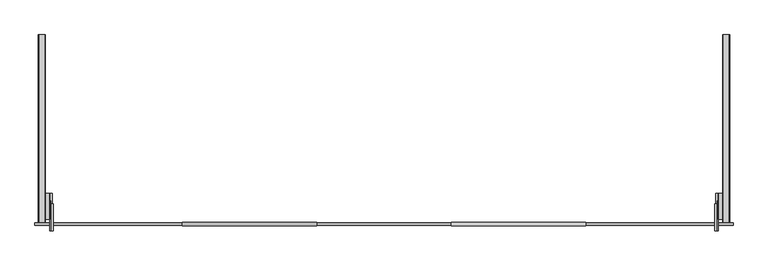
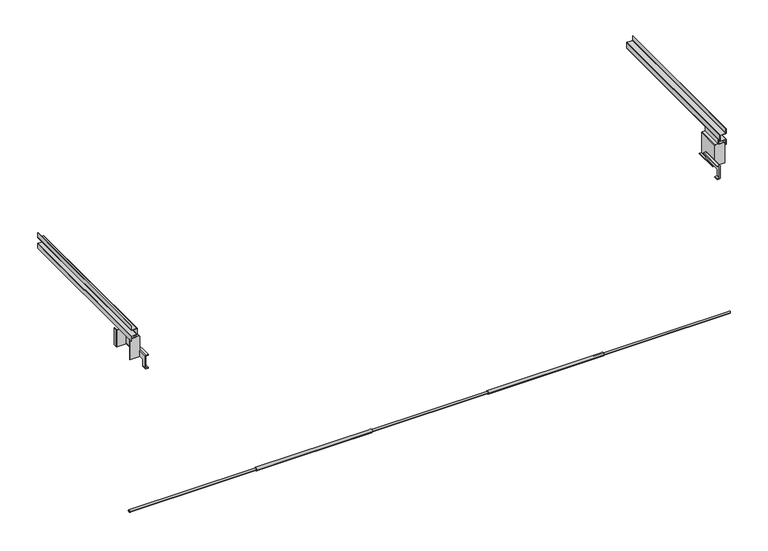
"""IFC4 building model written with IfcOpenShell, lengths in millimetres: proxy geometry."""

from ifc_helpers import new_model, si_unit, point, frame, frame_2d, origin, place, context, project, spatial, polyline, circle_curve, ellipse_curve, trimmed, segment, composite_curve, outline, extrude, source, transform, mapped, element, save
from ifc_brep_helpers import plane_surface, cylinder_surface, revolved_surface, advanced_brep


def parking_78c38aff(model_context):
    return source(origin(), model_context, "Body", "SolidModel", [
        advanced_brep(
        [(1110.5, -339.5632933, 763.5607814), (1110.5, -339.5632933, 811.0103561), (1106.5, -339.5632933, 815.0103561), (1098.5, -339.5632933, 815.0103561), (1098.5, -339.5632933, 811.5599571), (1106.5, -339.5632933, 811.5599571), (1107.5, -339.5632933, 810.5599571), (1107.5, -339.5632933, 763.5607338), (1106.5, -339.5632933, 762.5607338), (1098.5, -339.5632933, 762.5607338), (1098.5, -339.5632933, 759.5607814), (1106.5, -339.5632933, 759.5607814), (1106.5, -324.5, 759.5607814), (1110.5, -324.5, 763.5607814), (1098.5, -324.5, 759.5607814), (1098.5, -324.5, 762.5607338), (1106.5, -324.5, 762.5607338), (1107.5, -324.5, 763.5607338), (1107.5, -247.0099571, 810.5599571), (1107.5, -240.3786797, 803.9286797), (1107.5, -239.5, 801.8073593), (1107.5, -239.5, 799.3138804), (1107.5, -240.3786797, 797.19256), (1107.5, -246.6493904, 790.9218493), (1107.5, -248.7707107, 790.0431697), (1107.5, -324.5, 790.0431697), (1106.5, -249.5, 811.5599571), (1107.3716983, -249.5, 811.05), (1107.3716983, -247.5, 811.05), (1098.5, -249.5, 811.5599571), (1098.5, -249.5, 815.0103561), (1106.5, -249.5, 815.0103561), (1110.5, -249.5, 811.0103561), (1110.5, -324.5, 790.0431697), (1110.5, -248.7707107, 790.0431697), (1110.5, -246.6493904, 790.9218493), (1110.5, -240.3786797, 797.19256), (1110.5, -239.5, 799.3138804), (1110.5, -239.5, 801.8073593), (1110.5, -240.3786797, 803.9286797), (1110.5, -247.4603561, 811.0103561)],
        [
            (0, 1),
            (1, 2, circle_curve(frame((1106.5, -339.5632933, 811.0103561), z_axis=(0.0, -1.0, 0.0), x_axis=(-1.0, 0.0, 0.0)), 4.0)),
            (2, 3),
            (3, 4),
            (4, 5),
            (5, 6, circle_curve(frame((1106.5, -339.5632933, 810.5599571), z_axis=(0.0, 1.0, 0.0), x_axis=(-1.0, 0.0, 0.0)), 1.0)),
            (6, 7),
            (7, 8, circle_curve(frame((1106.5, -339.5632933, 763.5607338), z_axis=(0.0, 1.0, 0.0), x_axis=(-1.0, 0.0, 0.0)), 1.0)),
            (8, 9),
            (9, 10),
            (10, 11),
            (11, 0, circle_curve(frame((1106.5, -339.5632933, 763.5607814), z_axis=(0.0, -1.0, 0.0), x_axis=(-1.0, 0.0, 0.0)), 4.0)),
            (11, 12),
            (12, 13, circle_curve(frame((1106.5, -324.5, 763.5607814), z_axis=(0.0, -1.0, 0.0), x_axis=(-1.0, 0.0, 0.0)), 4.0)),
            (13, 0),
            (10, 14),
            (14, 12),
            (9, 15),
            (15, 14),
            (8, 16),
            (16, 15),
            (7, 17),
            (17, 16, circle_curve(frame((1106.5, -324.5, 763.5607338), z_axis=(0.0, 1.0, 0.0), x_axis=(-1.0, 0.0, 0.0)), 1.0)),
            (6, 18),
            (18, 19),
            (19, 20, circle_curve(frame((1107.5, -242.5, 801.8073593), z_axis=(-1.0, 0.0, 0.0), x_axis=(0.0, -1.0, 0.0)), 3.0)),
            (20, 21),
            (21, 22, circle_curve(frame((1107.5, -242.5, 799.3138804), z_axis=(-1.0, 0.0, 0.0), x_axis=(0.0, -1.0, 0.0)), 3.0)),
            (22, 23),
            (23, 24, circle_curve(frame((1107.5, -248.7707107, 793.0431697), z_axis=(-1.0, 0.0, 0.0), x_axis=(0.0, -1.0, 0.0)), 3.0)),
            (24, 25),
            (25, 17),
            (5, 26),
            (26, 27, circle_curve(frame((1106.5, -249.5, 810.5599571), z_axis=(0.0, 1.0, 0.0), x_axis=(-1.0, 0.0, 0.0)), 1.0)),
            (27, 28),
            (28, 18, ellipse_curve(frame((1106.5, -247.0099571, 810.5599571), z_axis=(0.0, 0.7071067811865459, 0.7071067811865492), x_axis=(0.0, 0.707106781186549, -0.707106781186546)), 1.4142136, 1.0)),
            (4, 29),
            (29, 26),
            (3, 30),
            (30, 29),
            (2, 31),
            (31, 30),
            (1, 32),
            (32, 31, circle_curve(frame((1106.5, -249.5, 811.0103561), z_axis=(0.0, -1.0, 0.0), x_axis=(-1.0, 0.0, 0.0)), 4.0)),
            (13, 33),
            (33, 34),
            (34, 35, circle_curve(frame((1110.5, -248.7707107, 793.0431697), z_axis=(1.0, 0.0, 0.0), x_axis=(0.0, -1.0, 0.0)), 3.0)),
            (35, 36),
            (36, 37, circle_curve(frame((1110.5, -242.5, 799.3138804), z_axis=(1.0, 0.0, 0.0), x_axis=(0.0, -1.0, 0.0)), 3.0)),
            (37, 38),
            (38, 39, circle_curve(frame((1110.5, -242.5, 801.8073593), z_axis=(1.0, 0.0, 0.0), x_axis=(0.0, -1.0, 0.0)), 3.0)),
            (39, 40),
            (40, 32),
            (33, 25),
            (24, 34),
            (32, 27),
            (40, 28),
            (39, 19),
            (38, 20),
            (37, 21),
            (36, 22),
            (35, 23),
        ],
        [
            plane_surface(frame((1110.5, -339.5632933, 810.53182), z_axis=(0.0, -1.0, 0.0), x_axis=(0.0, 0.0, 1.0))),
            cylinder_surface(frame((1106.5, -233.2447809, 763.5607814), z_axis=(0.0, -1.0, 0.0), x_axis=(-1.0, 0.0, 0.0)), 4.0),
            plane_surface(frame((1098.5, -339.5632933, 759.5607814), z_axis=(0.0, 0.0, -1.0), x_axis=(0.0, 1.0, 0.0))),
            plane_surface(frame((1098.5, -339.5632933, 762.5607338), z_axis=(-1.0, 0.0, 0.0), x_axis=(0.0, 1.0, 0.0))),
            plane_surface(frame((1106.5, -339.5632933, 762.5607338), z_axis=(0.0, 0.0, 1.0), x_axis=(0.0, 1.0, 0.0))),
            revolved_surface(polyline([(1105.5, -324.5, 763.5607338), (1105.5, -339.5632933, 763.5607338)]), (1106.5, -233.2447809, 763.5607338), (0.0, 1.0, 0.0)),
            plane_surface(frame((1107.5, -339.5632933, 810.5599571), z_axis=(-1.0, 0.0, 0.0), x_axis=(0.0, 1.0, 0.0))),
            revolved_surface(polyline([(1105.5, -246.00995707339376, 810.5599571), (1105.5, -339.5632933, 810.5599571)]), (1106.5, -233.2447809, 810.5599571), (0.0, 1.0, 0.0)),
            plane_surface(frame((1098.5, -339.5632933, 811.5599571), z_axis=(0.0, 0.0, -1.0), x_axis=(0.0, 1.0, 0.0))),
            plane_surface(frame((1098.5, -339.5632933, 815.0103561), z_axis=(-1.0, 0.0, 0.0), x_axis=(0.0, 1.0, 0.0))),
            plane_surface(frame((1106.5, -339.5632933, 815.0103561), z_axis=(0.0, 0.0, 1.0), x_axis=(0.0, 1.0, 0.0))),
            cylinder_surface(frame((1106.5, -233.2447809, 811.0103561), z_axis=(0.0, -1.0, 0.0), x_axis=(-1.0, 0.0, 0.0)), 4.0),
            plane_surface(frame((1110.5, -339.5632933, 763.5607814), z_axis=(1.0, 0.0, 0.0), x_axis=(0.0, 1.0, 0.0))),
            plane_surface(frame((1092.0440352, -324.5, 790.0431697), z_axis=(0.0, 0.0, -1.0), x_axis=(1.0, 0.0, 0.0))),
            plane_surface(frame((1092.0440352, -324.5, 751.7975306), z_axis=(0.0, 1.0, 0.0), x_axis=(1.0, 0.0, 0.0))),
            plane_surface(frame((1092.0440352, -249.5, 811.05), z_axis=(0.0, 1.0, 0.0), x_axis=(1.0, 0.0, 0.0))),
            plane_surface(frame((1092.0440352, -247.5, 811.05), z_axis=(0.0, 0.0, 1.0), x_axis=(1.0, 0.0, 0.0))),
            plane_surface(frame((1092.0440352, -240.3786797, 803.9286797), z_axis=(0.0, 0.7071067811865459, 0.7071067811865492), x_axis=(1.0, 0.0, 0.0))),
            cylinder_surface(frame((1148.0, -242.5, 801.8073593), z_axis=(1.0, 0.0, 0.0), x_axis=(0.0, -1.0, 0.0)), 3.0),
            plane_surface(frame((1092.0440352, -239.5, 799.3138804), z_axis=(0.0, 1.0, 0.0), x_axis=(1.0, 0.0, 0.0))),
            cylinder_surface(frame((1148.0, -242.5, 799.3138804), z_axis=(1.0, 0.0, 0.0), x_axis=(0.0, -1.0, 0.0)), 3.0),
            plane_surface(frame((1092.0440352, -246.6493904, 790.9218493), z_axis=(0.0, 0.7071067811865418, -0.7071067811865532), x_axis=(1.0, 0.0, 0.0))),
            cylinder_surface(frame((1148.0, -248.7707107, 793.0431697), z_axis=(1.0, 0.0, 0.0), x_axis=(0.0, -1.0, 0.0)), 3.0),
        ],
        [
            (0, [[1, 2, 3, 4, 5, 6, 7, 8, 9, 10, 11, 12]]),
            (1, [[-12, 13, 14, 15]]),
            (2, [[-11, 16, 17, -13]]),
            (3, [[-10, 18, 19, -16]]),
            (4, [[-9, 20, 21, -18]]),
            (5, [[-8, 22, 23, -20]]),
            (6, [[-7, 24, 25, 26, 27, 28, 29, 30, 31, 32, -22]]),
            (7, [[-6, 33, 34, 35, 36, -24]]),
            (8, [[-5, 37, 38, -33]]),
            (9, [[-4, 39, 40, -37]]),
            (10, [[-3, 41, 42, -39]]),
            (11, [[-2, 43, 44, -41]]),
            (12, [[-1, -15, 45, 46, 47, 48, 49, 50, 51, 52, 53, -43]]),
            (13, [[54, -31, 55, -46]]),
            (14, [[-54, -45, -14, -17, -19, -21, -23, -32]]),
            (15, [[56, -34, -38, -40, -42, -44]]),
            (16, [[-56, -53, 57, -35]]),
            (17, [[-57, -52, 58, -25, -36]]),
            (18, [[-58, -51, 59, -26]]),
            (19, [[-59, -50, 60, -27]]),
            (20, [[-60, -49, 61, -28]]),
            (21, [[-61, -48, 62, -29]]),
            (22, [[-62, -47, -55, -30]]),
        ],
    ),
        advanced_brep(
        [(-1110.5, -339.5632933, 763.5607814), (-1106.5, -339.5632933, 759.5607814), (-1098.5, -339.5632933, 759.5607814), (-1098.5, -339.5632933, 762.5607338), (-1106.5, -339.5632933, 762.5607338), (-1107.5, -339.5632933, 763.5607338), (-1107.5, -339.5632933, 810.5599571), (-1106.5, -339.5632933, 811.5599571), (-1098.5, -339.5632933, 811.5599571), (-1098.5, -339.5632933, 815.0103561), (-1106.5, -339.5632933, 815.0103561), (-1110.5, -339.5632933, 811.0103561), (-1110.5, -324.5, 763.5607814), (-1106.5, -324.5, 759.5607814), (-1098.5, -324.5, 759.5607814), (-1098.5, -324.5, 762.5607338), (-1106.5, -324.5, 762.5607338), (-1107.5, -324.5, 763.5607338), (-1107.5, -324.5, 790.0431697), (-1107.5, -248.7707107, 790.0431697), (-1107.5, -246.6493904, 790.9218493), (-1107.5, -240.3786797, 797.19256), (-1107.5, -239.5, 799.3138804), (-1107.5, -239.5, 801.8073593), (-1107.5, -240.3786797, 803.9286797), (-1107.5, -247.0099571, 810.5599571), (-1107.3716983, -247.5, 811.05), (-1107.3716983, -249.5, 811.05), (-1106.5, -249.5, 811.5599571), (-1098.5, -249.5, 811.5599571), (-1098.5, -249.5, 815.0103561), (-1106.5, -249.5, 815.0103561), (-1110.5, -249.5, 811.0103561), (-1110.5, -247.4603561, 811.05), (-1110.5, -240.3786797, 803.9286797), (-1110.5, -239.5, 801.8073593), (-1110.5, -239.5, 799.3138804), (-1110.5, -240.3786797, 797.19256), (-1110.5, -246.6493904, 790.9218493), (-1110.5, -248.7707107, 790.0431697), (-1110.5, -324.5, 790.0431697)],
        [
            (0, 1, circle_curve(frame((-1106.5, -339.5632933, 763.5607814), z_axis=(0.0, -1.0, 0.0), x_axis=(1.0, 0.0, 0.0)), 4.0)),
            (1, 2),
            (2, 3),
            (3, 4),
            (4, 5, circle_curve(frame((-1106.5, -339.5632933, 763.5607338), z_axis=(0.0, 1.0, 0.0), x_axis=(1.0, 0.0, 0.0)), 1.0)),
            (5, 6),
            (6, 7, circle_curve(frame((-1106.5, -339.5632933, 810.5599571), z_axis=(0.0, 1.0, 0.0), x_axis=(1.0, 0.0, 0.0)), 1.0)),
            (7, 8),
            (8, 9),
            (9, 10),
            (10, 11, circle_curve(frame((-1106.5, -339.5632933, 811.0103561), z_axis=(0.0, -1.0, 0.0), x_axis=(1.0, 0.0, 0.0)), 4.0)),
            (11, 0),
            (0, 12),
            (12, 13, circle_curve(frame((-1106.5, -324.5, 763.5607814), z_axis=(0.0, -1.0, 0.0), x_axis=(1.0, 0.0, 0.0)), 4.0)),
            (13, 1),
            (13, 14),
            (14, 2),
            (14, 15),
            (15, 3),
            (15, 16),
            (16, 4),
            (16, 17, circle_curve(frame((-1106.5, -324.5, 763.5607338), z_axis=(0.0, 1.0, 0.0), x_axis=(1.0, 0.0, 0.0)), 1.0)),
            (17, 5),
            (17, 18),
            (18, 19),
            (19, 20, circle_curve(frame((-1107.5, -248.7707107, 793.0431697), z_axis=(1.0, 0.0, 0.0), x_axis=(0.0, -1.0, 0.0)), 3.0)),
            (20, 21),
            (21, 22, circle_curve(frame((-1107.5, -242.5, 799.3138804), z_axis=(1.0, 0.0, 0.0), x_axis=(0.0, -1.0, 0.0)), 3.0)),
            (22, 23),
            (23, 24, circle_curve(frame((-1107.5, -242.5, 801.8073593), z_axis=(1.0, 0.0, 0.0), x_axis=(0.0, -1.0, 0.0)), 3.0)),
            (24, 25),
            (25, 6),
            (25, 26, ellipse_curve(frame((-1106.5, -247.0099571, 810.5599571), z_axis=(0.0, 0.7071067811865476, 0.7071067811865476), x_axis=(0.0, 0.7071067811865474, -0.7071067811865476)), 1.4142136, 1.0)),
            (26, 27),
            (27, 28, circle_curve(frame((-1106.5, -249.5, 810.5599571), z_axis=(0.0, 1.0, 0.0), x_axis=(1.0, 0.0, 0.0)), 1.0)),
            (28, 7),
            (28, 29),
            (29, 8),
            (29, 30),
            (30, 9),
            (30, 31),
            (31, 10),
            (31, 32, circle_curve(frame((-1106.5, -249.5, 811.0103561), z_axis=(0.0, -1.0, 0.0), x_axis=(1.0, 0.0, 0.0)), 4.0)),
            (32, 11),
            (32, 33),
            (33, 34),
            (34, 35, circle_curve(frame((-1110.5, -242.5, 801.8073593), z_axis=(-1.0, 0.0, 0.0), x_axis=(0.0, -1.0, 0.0)), 3.0)),
            (35, 36),
            (36, 37, circle_curve(frame((-1110.5, -242.5, 799.3138804), z_axis=(-1.0, 0.0, 0.0), x_axis=(0.0, -1.0, 0.0)), 3.0)),
            (37, 38),
            (38, 39, circle_curve(frame((-1110.5, -248.7707107, 793.0431697), z_axis=(-1.0, 0.0, 0.0), x_axis=(0.0, -1.0, 0.0)), 3.0)),
            (39, 40),
            (40, 12),
            (39, 19),
            (18, 40),
            (27, 32),
            (26, 33),
            (24, 34),
            (23, 35),
            (22, 36),
            (21, 37),
            (20, 38),
        ],
        [
            plane_surface(frame((-1102.5, -339.5632933, 763.5607814), z_axis=(0.0, -1.0, 0.0), x_axis=(0.0, 0.0, 1.0))),
            cylinder_surface(frame((-1106.5, -233.2447809, 763.5607814), z_axis=(0.0, -1.0, 0.0), x_axis=(1.0, 0.0, 0.0)), 4.0),
            plane_surface(frame((-1106.5, -339.5632933, 759.5607814), z_axis=(0.0, 0.0, -1.0), x_axis=(0.0, 1.0, 0.0))),
            plane_surface(frame((-1098.5, -339.5632933, 759.5607814), z_axis=(1.0, 0.0, 0.0), x_axis=(0.0, 1.0, 0.0))),
            plane_surface(frame((-1098.5, -339.5632933, 762.5607338), z_axis=(0.0, 0.0, 1.0), x_axis=(0.0, 1.0, 0.0))),
            revolved_surface(polyline([(-1105.5, -324.5, 763.5607338), (-1105.5, -339.5632933, 763.5607338)]), (-1106.5, -233.2447809, 763.5607338), (0.0, 1.0, 0.0)),
            plane_surface(frame((-1107.5, -339.5632933, 763.5607338), z_axis=(1.0, 0.0, 0.0), x_axis=(0.0, 1.0, 0.0))),
            revolved_surface(polyline([(-1105.5, -246.00995707339376, 810.5599571), (-1105.5, -339.5632933, 810.5599571)]), (-1106.5, -233.2447809, 810.5599571), (0.0, 1.0, 0.0)),
            plane_surface(frame((-1106.5, -339.5632933, 811.5599571), z_axis=(0.0, 0.0, -1.0), x_axis=(0.0, 1.0, 0.0))),
            plane_surface(frame((-1098.5, -339.5632933, 811.5599571), z_axis=(1.0, 0.0, 0.0), x_axis=(0.0, 1.0, 0.0))),
            plane_surface(frame((-1098.5, -339.5632933, 815.0103561), z_axis=(0.0, 0.0, 1.0), x_axis=(0.0, 1.0, 0.0))),
            cylinder_surface(frame((-1106.5, -233.2447809, 811.0103561), z_axis=(0.0, -1.0, 0.0), x_axis=(1.0, 0.0, 0.0)), 4.0),
            plane_surface(frame((-1110.5, -339.5632933, 811.0103561), z_axis=(-1.0, 0.0, 0.0), x_axis=(0.0, 1.0, 0.0))),
            plane_surface(frame((-1092.0440352, -248.7707107, 790.0431697), z_axis=(0.0, 0.0, -1.0), x_axis=(-1.0, 0.0, 0.0))),
            plane_surface(frame((-1092.0440352, -324.5, 790.0431697), z_axis=(0.0, 1.0, 0.0), x_axis=(-1.0, 0.0, 0.0))),
            plane_surface(frame((-1092.0440352, -249.5, 821.7975306), z_axis=(0.0, 1.0, 0.0), x_axis=(-1.0, 0.0, 0.0))),
            plane_surface(frame((-1092.0440352, -249.5, 811.05), z_axis=(0.0, 0.0, 1.0), x_axis=(-1.0, 0.0, 0.0))),
            plane_surface(frame((-1092.0440352, -247.5, 811.05), z_axis=(0.0, 0.7071067811865476, 0.7071067811865476), x_axis=(-1.0, 0.0, 0.0))),
            cylinder_surface(frame((-1148.0, -242.5, 801.8073593), z_axis=(-1.0, 0.0, 0.0), x_axis=(0.0, -1.0, 0.0)), 3.0),
            plane_surface(frame((-1092.0440352, -239.5, 801.8073593), z_axis=(0.0, 1.0, 0.0), x_axis=(-1.0, 0.0, 0.0))),
            cylinder_surface(frame((-1148.0, -242.5, 799.3138804), z_axis=(-1.0, 0.0, 0.0), x_axis=(0.0, -1.0, 0.0)), 3.0),
            plane_surface(frame((-1092.0440352, -240.3786797, 797.19256), z_axis=(0.0, 0.7071067811865418, -0.7071067811865532), x_axis=(-1.0, 0.0, 0.0))),
            cylinder_surface(frame((-1148.0, -248.7707107, 793.0431697), z_axis=(-1.0, 0.0, 0.0), x_axis=(0.0, -1.0, 0.0)), 3.0),
        ],
        [
            (0, [[1, 2, 3, 4, 5, 6, 7, 8, 9, 10, 11, 12]]),
            (1, [[-1, 13, 14, 15]]),
            (2, [[-2, -15, 16, 17]]),
            (3, [[-3, -17, 18, 19]]),
            (4, [[-4, -19, 20, 21]]),
            (5, [[-5, -21, 22, 23]]),
            (6, [[-6, -23, 24, 25, 26, 27, 28, 29, 30, 31, 32]]),
            (7, [[-7, -32, 33, 34, 35, 36]]),
            (8, [[-8, -36, 37, 38]]),
            (9, [[-9, -38, 39, 40]]),
            (10, [[-10, -40, 41, 42]]),
            (11, [[-11, -42, 43, 44]]),
            (12, [[-12, -44, 45, 46, 47, 48, 49, 50, 51, 52, 53, -13]]),
            (13, [[54, -25, 55, -52]]),
            (14, [[-55, -24, -22, -20, -18, -16, -14, -53]]),
            (15, [[56, -43, -41, -39, -37, -35]]),
            (16, [[-56, -34, 57, -45]]),
            (17, [[-57, -33, -31, 58, -46]]),
            (18, [[-58, -30, 59, -47]]),
            (19, [[-59, -29, 60, -48]]),
            (20, [[-60, -28, 61, -49]]),
            (21, [[-61, -27, 62, -50]]),
            (22, [[-54, -51, -62, -26]]),
        ],
    ),
        advanced_brep(
        [(1111.0, -302.5, 790.55), (1110.0, -302.5, 789.55), (1102.0, -302.5, 789.55), (1102.0, -302.5, 788.55), (1149.0, -302.5, 788.55), (1149.0, -302.5, 870.55), (1148.0, -302.5, 870.55), (1148.0, -302.5, 872.55), (1126.0, -302.5, 872.55), (1126.0, -302.5, 889.8179492), (1125.0, -302.5, 891.55), (1125.0, -302.5, 873.55), (1113.0, -302.5, 873.55), (1111.0, -302.5, 871.55), (1125.0, -214.5, 873.55), (1125.0, -214.5, 891.55), (1126.0, -214.5, 889.8179492), (1126.0, -214.5, 872.55), (1113.0, -214.5, 872.55), (1112.0, -214.5, 871.55), (1112.0, -214.5, 856.55), (1147.0, -214.5, 856.55), (1147.0, -214.5, 788.55), (1102.0, -214.5, 788.55), (1102.0, -214.5, 789.55), (1110.0, -214.5, 789.55), (1111.0, -214.5, 790.55), (1111.0, -214.5, 871.55), (1113.0, -214.5, 873.55), (1125.0, -312.5, 891.55), (1125.0, -312.5, 912.55), (1125.0, 312.5, 912.55), (1125.0, 312.5, 891.55), (1126.0, -301.5, 872.55), (1113.0, -301.5, 872.55), (1112.0, -301.5, 871.55), (1112.0, -301.5, 788.55), (1112.0, -215.5, 788.55), (1112.0, -215.5, 856.55), (1148.0, -213.5, 788.55), (1148.0, -200.5, 788.55), (1149.0, -200.5, 788.55), (1149.0, -213.5, 788.55), (1147.0, -215.5, 788.55), (1149.0, -301.5, 788.55), (1148.0, -301.5, 872.55), (1148.0, -301.5, 870.55), (1149.0, -301.5, 870.55), (1149.0, 312.5, 870.55), (1149.0, 312.5, 888.55), (1149.0, -312.5, 888.55), (1149.0, -312.5, 870.55), (1147.0, -215.5, 856.55), (1149.0, -213.5, 856.55), (1149.0, -200.5, 856.55), (1148.0, -200.5, 856.55), (1148.0, -213.5, 856.55), (1127.0, -312.5, 914.55), (1127.0, -312.5, 889.55), (1147.0, -312.5, 889.55), (1148.0, -312.5, 888.55), (1148.0, -312.5, 870.55), (1147.0, -312.5, 890.55), (1127.0, -312.5, 890.55), (1126.0, -312.5, 891.55), (1126.0, -312.5, 912.55), (1127.0, -312.5, 913.55), (1147.0, -312.5, 913.55), (1149.0, -312.5, 915.55), (1149.0, -312.5, 933.55), (1148.0, -312.5, 933.55), (1148.0, -312.5, 915.55), (1147.0, -312.5, 914.55), (1127.0, 312.5, 914.55), (1147.0, 312.5, 914.55), (1148.0, 312.5, 915.55), (1148.0, 312.5, 933.55), (1149.0, 312.5, 933.55), (1149.0, 312.5, 915.55), (1147.0, 312.5, 913.55), (1127.0, 312.5, 913.55), (1126.0, 312.5, 912.55), (1126.0, 312.5, 891.55), (1127.0, 312.5, 890.55), (1147.0, 312.5, 890.55), (1148.0, 312.5, 870.55), (1148.0, 312.5, 888.55), (1147.0, 312.5, 889.55), (1127.0, 312.5, 889.55), (1126.0, -302.5, 891.55), (1126.0, -214.5, 891.55)],
        [
            (0, 1, circle_curve(frame((1110.0, -302.5, 790.55), z_axis=(0.0, 1.0, 0.0), x_axis=(-1.0, 0.0, 0.0)), 1.0)),
            (1, 2),
            (2, 3),
            (3, 4),
            (4, 5),
            (5, 6),
            (6, 7),
            (7, 8),
            (8, 9),
            (9, 10, circle_curve(frame((1127.0, -302.5, 891.55), z_axis=(0.0, 1.0, 0.0), x_axis=(-1.0, 0.0, 0.0)), 2.0)),
            (10, 11),
            (11, 12),
            (12, 13, circle_curve(frame((1113.0, -302.5, 871.55), z_axis=(0.0, -1.0, 0.0), x_axis=(-1.0, 0.0, 0.0)), 2.0)),
            (13, 0),
            (14, 15),
            (15, 16, circle_curve(frame((1127.0, -214.5, 891.55), z_axis=(0.0, -1.0, 0.0), x_axis=(-1.0, 0.0, 0.0)), 2.0)),
            (16, 17),
            (17, 18),
            (18, 19, circle_curve(frame((1113.0, -214.5, 871.55), z_axis=(0.0, -1.0, 0.0), x_axis=(1.0, 0.0, 0.0)), 1.0)),
            (19, 20),
            (20, 21),
            (21, 22),
            (22, 23),
            (23, 24),
            (24, 25),
            (25, 26, circle_curve(frame((1110.0, -214.5, 790.55), z_axis=(0.0, -1.0, 0.0), x_axis=(-1.0, 0.0, 0.0)), 1.0)),
            (26, 27),
            (27, 28, circle_curve(frame((1113.0, -214.5, 871.55), z_axis=(0.0, 1.0, 0.0), x_axis=(-1.0, 0.0, 0.0)), 2.0)),
            (28, 14),
            (10, 29),
            (29, 30),
            (30, 31),
            (31, 32),
            (32, 15),
            (14, 11),
            (33, 17),
            (16, 9),
            (8, 33),
            (33, 34),
            (34, 18),
            (19, 35),
            (35, 36),
            (36, 37),
            (37, 38),
            (38, 20),
            (3, 23),
            (22, 39, circle_curve(frame((1147.0, -213.5, 788.55), z_axis=(0.0, 0.0, 1.0), x_axis=(-1.0, 0.0, 0.0)), 1.0)),
            (39, 40),
            (40, 41),
            (41, 42),
            (42, 43, circle_curve(frame((1147.0, -213.5, 788.55), z_axis=(0.0, 0.0, -1.0), x_axis=(-1.0, 0.0, 0.0)), 2.0)),
            (43, 37),
            (36, 44),
            (44, 4),
            (2, 24),
            (1, 25),
            (26, 0),
            (13, 27),
            (28, 12),
            (35, 34, circle_curve(frame((1113.0, -301.5, 871.55), z_axis=(0.0, 1.0, 0.0), x_axis=(1.0, 0.0, 0.0)), 1.0)),
            (33, 45),
            (45, 46),
            (46, 47),
            (47, 44),
            (7, 45),
            (47, 48),
            (48, 49),
            (49, 50),
            (50, 51),
            (51, 5),
            (38, 52),
            (52, 53, circle_curve(frame((1147.0, -213.5, 856.55), z_axis=(0.0, 0.0, 1.0), x_axis=(-1.0, 0.0, 0.0)), 2.0)),
            (53, 54),
            (54, 55),
            (55, 56),
            (56, 21, circle_curve(frame((1147.0, -213.5, 856.55), z_axis=(0.0, 0.0, -1.0), x_axis=(-1.0, 0.0, 0.0)), 1.0)),
            (56, 39),
            (55, 40),
            (54, 41),
            (53, 42),
            (52, 43),
            (57, 30, circle_curve(frame((1127.0, -312.5, 912.55), z_axis=(0.0, -1.0, 0.0), x_axis=(-1.0, 0.0, 0.0)), 2.0)),
            (29, 58, circle_curve(frame((1127.0, -312.5, 891.55), z_axis=(0.0, -1.0, 0.0), x_axis=(-1.0, 0.0, 0.0)), 2.0)),
            (58, 59),
            (59, 60, circle_curve(frame((1147.0, -312.5, 888.55), z_axis=(0.0, 1.0, 0.0), x_axis=(-1.0, 0.0, 0.0)), 1.0)),
            (60, 61),
            (61, 51),
            (50, 62, circle_curve(frame((1147.0, -312.5, 888.55), z_axis=(0.0, -1.0, 0.0), x_axis=(-1.0, 0.0, 0.0)), 2.0)),
            (62, 63),
            (63, 64, circle_curve(frame((1127.0, -312.5, 891.55), z_axis=(0.0, 1.0, 0.0), x_axis=(-1.0, 0.0, 0.0)), 1.0)),
            (64, 65),
            (65, 66, circle_curve(frame((1127.0, -312.5, 912.55), z_axis=(0.0, 1.0, 0.0), x_axis=(-1.0, 0.0, 0.0)), 1.0)),
            (66, 67),
            (67, 68, circle_curve(frame((1147.0, -312.5, 915.55), z_axis=(0.0, -1.0, 0.0), x_axis=(-1.0, 0.0, 0.0)), 2.0)),
            (68, 69),
            (69, 70),
            (70, 71),
            (71, 72, circle_curve(frame((1147.0, -312.5, 915.55), z_axis=(0.0, 1.0, 0.0), x_axis=(-1.0, 0.0, 0.0)), 1.0)),
            (72, 57),
            (73, 74),
            (74, 75, circle_curve(frame((1147.0, 312.5, 915.55), z_axis=(0.0, -1.0, 0.0), x_axis=(-1.0, 0.0, 0.0)), 1.0)),
            (75, 76),
            (76, 77),
            (77, 78),
            (78, 79, circle_curve(frame((1147.0, 312.5, 915.55), z_axis=(0.0, 1.0, 0.0), x_axis=(-1.0, 0.0, 0.0)), 2.0)),
            (79, 80),
            (80, 81, circle_curve(frame((1127.0, 312.5, 912.55), z_axis=(0.0, -1.0, 0.0), x_axis=(-1.0, 0.0, 0.0)), 1.0)),
            (81, 82),
            (82, 83, circle_curve(frame((1127.0, 312.5, 891.55), z_axis=(0.0, -1.0, 0.0), x_axis=(-1.0, 0.0, 0.0)), 1.0)),
            (83, 84),
            (84, 49, circle_curve(frame((1147.0, 312.5, 888.55), z_axis=(0.0, 1.0, 0.0), x_axis=(-1.0, 0.0, 0.0)), 2.0)),
            (48, 85),
            (85, 86),
            (86, 87, circle_curve(frame((1147.0, 312.5, 888.55), z_axis=(0.0, -1.0, 0.0), x_axis=(-1.0, 0.0, 0.0)), 1.0)),
            (87, 88),
            (88, 32, circle_curve(frame((1127.0, 312.5, 891.55), z_axis=(0.0, 1.0, 0.0), x_axis=(-1.0, 0.0, 0.0)), 2.0)),
            (31, 73, circle_curve(frame((1127.0, 312.5, 912.55), z_axis=(0.0, 1.0, 0.0), x_axis=(-1.0, 0.0, 0.0)), 2.0)),
            (72, 74),
            (73, 57),
            (71, 75),
            (70, 76),
            (69, 77),
            (68, 78),
            (67, 79),
            (66, 80),
            (65, 81),
            (64, 89),
            (89, 90),
            (90, 82),
            (63, 83),
            (62, 84),
            (61, 6),
            (46, 85),
            (60, 86),
            (59, 87),
            (58, 88),
        ],
        [
            plane_surface(frame((1124.0, -302.5, 873.55), z_axis=(0.0, -1.0, 0.0), x_axis=(-1.0, 0.0, 0.0))),
            plane_surface(frame((1124.0, -214.5, 873.55), z_axis=(0.0, 1.0, 0.0), x_axis=(1.0, 0.0, 0.0))),
            plane_surface(frame((1125.0, -302.5, 891.55), z_axis=(-1.0, 0.0, 0.0), x_axis=(0.0, 1.0, 0.0))),
            plane_surface(frame((1126.0, -302.5, 872.55), z_axis=(1.0, 0.0, 0.0), x_axis=(0.0, 1.0, 0.0))),
            plane_surface(frame((1113.0, -302.5, 872.55), z_axis=(0.0, 0.0, -1.0), x_axis=(0.0, 1.0, 0.0))),
            plane_surface(frame((1112.0, -302.5, 788.55), z_axis=(1.0, 0.0, 0.0), x_axis=(0.0, 1.0, 0.0))),
            plane_surface(frame((1102.0, -302.5, 788.55), z_axis=(0.0, 0.0, -1.0), x_axis=(0.0, 1.0, 0.0))),
            plane_surface(frame((1102.0, -302.5, 789.55), z_axis=(-1.0, 0.0, 0.0), x_axis=(0.0, 1.0, 0.0))),
            plane_surface(frame((1110.0, -302.5, 789.55), z_axis=(0.0, 0.0, 1.0), x_axis=(0.0, 1.0, 0.0))),
            plane_surface(frame((1111.0, -302.5, 873.55), z_axis=(-1.0, 0.0, 0.0), x_axis=(0.0, 1.0, 0.0))),
            plane_surface(frame((1125.0, -302.5, 873.55), z_axis=(0.0, 0.0, 1.0), x_axis=(0.0, 1.0, 0.0))),
            revolved_surface(polyline([(1109.0, -214.5, 790.55), (1109.0, -302.5, 790.55)]), (1110.0, -214.5, 790.55), (0.0, 1.0, 0.0)),
            cylinder_surface(frame((1113.0, -208.8435161, 871.55), z_axis=(0.0, 1.0, 0.0), x_axis=(-1.0, 0.0, 0.0)), 2.0),
            plane_surface(frame((1112.0, -301.5, 788.55), z_axis=(0.0, 1.0, 0.0), x_axis=(0.0, 0.0, 1.0))),
            plane_surface(frame((1149.0, -302.5, 872.55), z_axis=(0.0, 0.0, 1.0), x_axis=(0.0, 1.0, 0.0))),
            plane_surface(frame((1149.0, -302.5, 788.55), z_axis=(1.0, 0.0, 0.0), x_axis=(0.0, 1.0, 0.0))),
            plane_surface(frame((1112.0, -215.5, 856.55), z_axis=(0.0, 0.0, 1.0), x_axis=(0.0, -1.0, 0.0))),
            revolved_surface(polyline([(1146.0, -213.5, 788.55), (1146.0, -213.5, 856.55)]), (1147.0, -213.5, 788.55), (0.0, 0.0, -1.0)),
            plane_surface(frame((1148.0, -200.5, 856.55), z_axis=(-1.0, 0.0, 0.0), x_axis=(0.0, 0.0, -1.0))),
            plane_surface(frame((1149.0, -200.5, 856.55), z_axis=(0.0, 1.0, 0.0), x_axis=(0.0, 0.0, -1.0))),
            plane_surface(frame((1149.0, -213.5, 856.55), z_axis=(1.0, 0.0, 0.0), x_axis=(0.0, 0.0, -1.0))),
            cylinder_surface(frame((1147.0, -213.5, 788.55), z_axis=(0.0, 0.0, 1.0), x_axis=(-1.0, 0.0, 0.0)), 2.0),
            plane_surface(frame((1112.0, -215.5, 856.55), z_axis=(0.0, -1.0, 0.0), x_axis=(0.0, 0.0, -1.0))),
            plane_surface(frame((1125.0, -312.5, 912.55), z_axis=(0.0, -1.0, 0.0), x_axis=(0.0, 0.0, -1.0))),
            plane_surface(frame((1125.0, 312.5, 912.55), z_axis=(0.0, 1.0, 0.0), x_axis=(0.0, 0.0, 1.0))),
            plane_surface(frame((1147.0, -312.5, 914.55), z_axis=(0.0, 0.0, 1.0), x_axis=(0.0, 1.0, 0.0))),
            revolved_surface(polyline([(1146.0, 312.5, 915.55), (1146.0, -312.5, 915.55)]), (1147.0, 312.5, 915.55), (0.0, 1.0, 0.0)),
            plane_surface(frame((1148.0, -312.5, 933.55), z_axis=(-1.0, 0.0, 0.0), x_axis=(0.0, 1.0, 0.0))),
            plane_surface(frame((1149.0, -312.5, 933.55), z_axis=(0.0, 0.0, 1.0), x_axis=(0.0, 1.0, 0.0))),
            plane_surface(frame((1149.0, -312.5, 915.55), z_axis=(1.0, 0.0, 0.0), x_axis=(0.0, 1.0, 0.0))),
            cylinder_surface(frame((1147.0, 312.5, 915.55), z_axis=(0.0, -1.0, 0.0), x_axis=(-1.0, 0.0, 0.0)), 2.0),
            plane_surface(frame((1127.0, -312.5, 913.55), z_axis=(0.0, 0.0, -1.0), x_axis=(0.0, 1.0, 0.0))),
            revolved_surface(polyline([(1126.0, 312.5, 912.55), (1126.0, -312.5, 912.55)]), (1127.0, 312.5, 912.55), (0.0, 1.0, 0.0)),
            plane_surface(frame((1126.0, -312.5, 891.55), z_axis=(1.0, 0.0, 0.0), x_axis=(0.0, 1.0, 0.0))),
            revolved_surface(polyline([(1126.0, 312.5, 891.55), (1126.0, -312.5, 891.55)]), (1127.0, 312.5, 891.55), (0.0, 1.0, 0.0)),
            plane_surface(frame((1147.0, -312.5, 890.55), z_axis=(0.0, 0.0, 1.0), x_axis=(0.0, 1.0, 0.0))),
            cylinder_surface(frame((1147.0, 312.5, 888.55), z_axis=(0.0, -1.0, 0.0), x_axis=(-1.0, 0.0, 0.0)), 2.0),
            plane_surface(frame((1148.0, -312.5, 870.55), z_axis=(0.0, 0.0, -1.0), x_axis=(0.0, 1.0, 0.0))),
            plane_surface(frame((1148.0, -312.5, 888.55), z_axis=(-1.0, 0.0, 0.0), x_axis=(0.0, 1.0, 0.0))),
            revolved_surface(polyline([(1146.0, 312.5, 888.55), (1146.0, -312.5, 888.55)]), (1147.0, 312.5, 888.55), (0.0, 1.0, 0.0)),
            plane_surface(frame((1127.0, -312.5, 889.55), z_axis=(0.0, 0.0, -1.0), x_axis=(0.0, 1.0, 0.0))),
            cylinder_surface(frame((1127.0, 312.5, 891.55), z_axis=(0.0, -1.0, 0.0), x_axis=(-1.0, 0.0, 0.0)), 2.0),
            cylinder_surface(frame((1127.0, 312.5, 912.55), z_axis=(0.0, -1.0, 0.0), x_axis=(-1.0, 0.0, 0.0)), 2.0),
            revolved_surface(polyline([(1114.0, -214.5, 871.55), (1114.0, -301.5, 871.55)]), (1113.0, -214.5, 871.55), (0.0, 1.0, 0.0)),
        ],
        [
            (0, [[1, 2, 3, 4, 5, 6, 7, 8, 9, 10, 11, 12, 13, 14]]),
            (1, [[15, 16, 17, 18, 19, 20, 21, 22, 23, 24, 25, 26, 27, 28, 29]]),
            (2, [[-11, 30, 31, 32, 33, 34, -15, 35]]),
            (3, [[36, -17, 37, -9, 38]]),
            (4, [[-18, -36, 39, 40]]),
            (5, [[41, 42, 43, 44, 45, -20]]),
            (6, [[46, -23, 47, 48, 49, 50, 51, 52, -43, 53, 54, -4]]),
            (7, [[-3, 55, -24, -46]]),
            (8, [[-2, 56, -25, -55]]),
            (9, [[57, -14, 58, -27]]),
            (10, [[-35, -29, 59, -12]]),
            (11, [[-1, -57, -26, -56]]),
            (12, [[-13, -59, -28, -58]]),
            (13, [[-53, -42, 60, -39, 61, 62, 63, 64]]),
            (14, [[-38, -8, 65, -61]]),
            (15, [[-54, -64, 66, 67, 68, 69, 70, -5]]),
            (16, [[71, 72, 73, 74, 75, 76, -21, -45]]),
            (17, [[-76, 77, -47, -22]]),
            (18, [[-75, 78, -48, -77]]),
            (19, [[-74, 79, -49, -78]]),
            (20, [[-73, 80, -50, -79]]),
            (21, [[-72, 81, -51, -80]]),
            (22, [[-71, -44, -52, -81]]),
            (23, [[82, -31, 83, 84, 85, 86, 87, -69, 88, 89, 90, 91, 92, 93, 94, 95, 96, 97, 98, 99]]),
            (24, [[100, 101, 102, 103, 104, 105, 106, 107, 108, 109, 110, 111, -67, 112, 113, 114, 115, 116, -33, 117]]),
            (25, [[-99, 118, -100, 119]]),
            (26, [[-98, 120, -101, -118]]),
            (27, [[-97, 121, -102, -120]]),
            (28, [[-96, 122, -103, -121]]),
            (29, [[-95, 123, -104, -122]]),
            (30, [[-94, 124, -105, -123]]),
            (31, [[-93, 125, -106, -124]]),
            (32, [[-92, 126, -107, -125]]),
            (33, [[-91, 127, 128, 129, -108, -126]]),
            (34, [[-90, 130, -109, -129, -128, -127]]),
            (35, [[-89, 131, -110, -130]]),
            (36, [[-88, -68, -111, -131]]),
            (37, [[-87, 132, -6, -70]]),
            (37, [[-112, -66, -63, 133]]),
            (38, [[-86, 134, -113, -133, -62, -65, -7, -132]]),
            (39, [[-85, 135, -114, -134]]),
            (40, [[-84, 136, -115, -135]]),
            (41, [[-83, -30, -10, -37, -16, -34, -116, -136]]),
            (42, [[-82, -119, -117, -32]]),
            (43, [[-19, -40, -60, -41]]),
        ],
    ),
        advanced_brep(
        [(-1125.0, -302.5, 873.55), (-1125.0, -302.5, 891.55), (-1126.0, -302.5, 889.8179492), (-1126.0, -302.5, 872.55), (-1148.0, -302.5, 872.55), (-1148.0, -302.5, 870.55), (-1149.0, -302.5, 870.55), (-1149.0, -302.5, 788.55), (-1102.0, -302.5, 788.55), (-1102.0, -302.5, 789.55), (-1110.0, -302.5, 789.55), (-1111.0, -302.5, 790.55), (-1111.0, -302.5, 871.55), (-1113.0, -302.5, 873.55), (-1111.0, -214.5, 790.55), (-1110.0, -214.5, 789.55), (-1102.0, -214.5, 789.55), (-1102.0, -214.5, 788.55), (-1147.0, -214.5, 788.55), (-1147.0, -214.5, 856.55), (-1119.0, -214.5, 856.55), (-1119.0, -214.5, 872.55), (-1126.0, -214.5, 872.55), (-1126.0, -214.5, 889.8179492), (-1125.0, -214.5, 891.55), (-1125.0, -214.5, 873.55), (-1113.0, -214.5, 873.55), (-1111.0, -214.5, 871.55), (-1125.0, 312.5, 891.55), (-1125.0, 312.5, 912.55), (-1125.0, -312.5, 912.55), (-1125.0, -312.5, 891.55), (-1126.0, -301.5, 872.55), (-1119.0, -215.5, 872.55), (-1113.0, -215.5, 872.55), (-1113.0, -301.5, 872.55), (-1112.0, -215.5, 871.55), (-1112.0, -215.5, 788.55), (-1112.0, -301.5, 788.55), (-1112.0, -301.5, 871.55), (-1149.0, -301.5, 788.55), (-1147.0, -215.5, 788.55), (-1149.0, -213.5, 788.55), (-1149.0, -200.5, 788.55), (-1148.0, -200.5, 788.55), (-1148.0, -213.5, 788.55), (-1119.0, -215.5, 856.55), (-1147.0, -215.5, 856.55), (-1148.0, -213.5, 856.55), (-1148.0, -200.5, 856.55), (-1149.0, -200.5, 856.55), (-1149.0, -213.5, 856.55), (-1149.0, -301.5, 870.55), (-1148.0, -301.5, 870.55), (-1148.0, -301.5, 872.55), (-1149.0, -312.5, 870.55), (-1149.0, -312.5, 888.55), (-1149.0, 312.5, 888.55), (-1149.0, 312.5, 870.55), (-1127.0, -312.5, 914.55), (-1147.0, -312.5, 914.55), (-1148.0, -312.5, 915.55), (-1148.0, -312.5, 933.55), (-1149.0, -312.5, 933.55), (-1149.0, -312.5, 915.55), (-1147.0, -312.5, 913.55), (-1127.0, -312.5, 913.55), (-1126.0, -312.5, 912.55), (-1126.0, -312.5, 891.55), (-1127.0, -312.5, 890.55), (-1147.0, -312.5, 890.55), (-1148.0, -312.5, 870.55), (-1148.0, -312.5, 888.55), (-1147.0, -312.5, 889.55), (-1127.0, -312.5, 889.55), (-1127.0, 312.5, 914.55), (-1127.0, 312.5, 889.55), (-1147.0, 312.5, 889.55), (-1148.0, 312.5, 888.55), (-1148.0, 312.5, 870.55), (-1147.0, 312.5, 890.55), (-1127.0, 312.5, 890.55), (-1126.0, 312.5, 891.55), (-1126.0, 312.5, 912.55), (-1127.0, 312.5, 913.55), (-1147.0, 312.5, 913.55), (-1149.0, 312.5, 915.55), (-1149.0, 312.5, 933.55), (-1148.0, 312.5, 933.55), (-1148.0, 312.5, 915.55), (-1147.0, 312.5, 914.55), (-1126.0, -214.5, 891.55), (-1126.0, -302.5, 891.55)],
        [
            (0, 1),
            (1, 2, circle_curve(frame((-1127.0, -302.5, 891.55), z_axis=(0.0, 1.0, 0.0), x_axis=(1.0, 0.0, 0.0)), 2.0)),
            (2, 3),
            (3, 4),
            (4, 5),
            (5, 6),
            (6, 7),
            (7, 8),
            (8, 9),
            (9, 10),
            (10, 11, circle_curve(frame((-1110.0, -302.5, 790.55), z_axis=(0.0, 1.0, 0.0), x_axis=(1.0, 0.0, 0.0)), 1.0)),
            (11, 12),
            (12, 13, circle_curve(frame((-1113.0, -302.5, 871.55), z_axis=(0.0, -1.0, 0.0), x_axis=(1.0, 0.0, 0.0)), 2.0)),
            (13, 0),
            (14, 15, circle_curve(frame((-1110.0, -214.5, 790.55), z_axis=(0.0, -1.0, 0.0), x_axis=(1.0, 0.0, 0.0)), 1.0)),
            (15, 16),
            (16, 17),
            (17, 18),
            (18, 19),
            (19, 20),
            (20, 21),
            (21, 22),
            (22, 23),
            (23, 24, circle_curve(frame((-1127.0, -214.5, 891.55), z_axis=(0.0, -1.0, 0.0), x_axis=(1.0, 0.0, 0.0)), 2.0)),
            (24, 25),
            (25, 26),
            (26, 27, circle_curve(frame((-1113.0, -214.5, 871.55), z_axis=(0.0, 1.0, 0.0), x_axis=(1.0, 0.0, 0.0)), 2.0)),
            (27, 14),
            (0, 25),
            (24, 28),
            (28, 29),
            (29, 30),
            (30, 31),
            (31, 1),
            (22, 32),
            (32, 3),
            (2, 23),
            (21, 33),
            (33, 34),
            (34, 35),
            (35, 32),
            (36, 37),
            (37, 38),
            (38, 39),
            (39, 36),
            (17, 8),
            (7, 40),
            (40, 38),
            (37, 41),
            (41, 42, circle_curve(frame((-1147.0, -213.5, 788.55), z_axis=(0.0, 0.0, -1.0), x_axis=(1.0, 0.0, 0.0)), 2.0)),
            (42, 43),
            (43, 44),
            (44, 45),
            (45, 18, circle_curve(frame((-1147.0, -213.5, 788.55), z_axis=(0.0, 0.0, 1.0), x_axis=(1.0, 0.0, 0.0)), 1.0)),
            (16, 9),
            (15, 10),
            (11, 14),
            (27, 12),
            (13, 26),
            (20, 46),
            (46, 33),
            (46, 47),
            (47, 41),
            (36, 34, circle_curve(frame((-1113.0, -215.5, 871.55), z_axis=(0.0, -1.0, 0.0), x_axis=(1.0, 0.0, 0.0)), 1.0)),
            (19, 48, circle_curve(frame((-1147.0, -213.5, 856.55), z_axis=(0.0, 0.0, -1.0), x_axis=(1.0, 0.0, 0.0)), 1.0)),
            (48, 49),
            (49, 50),
            (50, 51),
            (51, 47, circle_curve(frame((-1147.0, -213.5, 856.55), z_axis=(0.0, 0.0, 1.0), x_axis=(1.0, 0.0, 0.0)), 2.0)),
            (45, 48),
            (44, 49),
            (43, 50),
            (42, 51),
            (40, 52),
            (52, 53),
            (53, 54),
            (54, 32),
            (35, 39, circle_curve(frame((-1113.0, -301.5, 871.55), z_axis=(0.0, 1.0, 0.0), x_axis=(1.0, 0.0, 0.0)), 1.0)),
            (54, 4),
            (6, 55),
            (55, 56),
            (56, 57),
            (57, 58),
            (58, 52),
            (59, 60),
            (60, 61, circle_curve(frame((-1147.0, -312.5, 915.55), z_axis=(0.0, 1.0, 0.0), x_axis=(1.0, 0.0, 0.0)), 1.0)),
            (61, 62),
            (62, 63),
            (63, 64),
            (64, 65, circle_curve(frame((-1147.0, -312.5, 915.55), z_axis=(0.0, -1.0, 0.0), x_axis=(1.0, 0.0, 0.0)), 2.0)),
            (65, 66),
            (66, 67, circle_curve(frame((-1127.0, -312.5, 912.55), z_axis=(0.0, 1.0, 0.0), x_axis=(1.0, 0.0, 0.0)), 1.0)),
            (67, 68),
            (68, 69, circle_curve(frame((-1127.0, -312.5, 891.55), z_axis=(0.0, 1.0, 0.0), x_axis=(1.0, 0.0, 0.0)), 1.0)),
            (69, 70),
            (70, 56, circle_curve(frame((-1147.0, -312.5, 888.55), z_axis=(0.0, -1.0, 0.0), x_axis=(1.0, 0.0, 0.0)), 2.0)),
            (55, 71),
            (71, 72),
            (72, 73, circle_curve(frame((-1147.0, -312.5, 888.55), z_axis=(0.0, 1.0, 0.0), x_axis=(1.0, 0.0, 0.0)), 1.0)),
            (73, 74),
            (74, 31, circle_curve(frame((-1127.0, -312.5, 891.55), z_axis=(0.0, -1.0, 0.0), x_axis=(1.0, 0.0, 0.0)), 2.0)),
            (30, 59, circle_curve(frame((-1127.0, -312.5, 912.55), z_axis=(0.0, -1.0, 0.0), x_axis=(1.0, 0.0, 0.0)), 2.0)),
            (75, 29, circle_curve(frame((-1127.0, 312.5, 912.55), z_axis=(0.0, 1.0, 0.0), x_axis=(1.0, 0.0, 0.0)), 2.0)),
            (28, 76, circle_curve(frame((-1127.0, 312.5, 891.55), z_axis=(0.0, 1.0, 0.0), x_axis=(1.0, 0.0, 0.0)), 2.0)),
            (76, 77),
            (77, 78, circle_curve(frame((-1147.0, 312.5, 888.55), z_axis=(0.0, -1.0, 0.0), x_axis=(1.0, 0.0, 0.0)), 1.0)),
            (78, 79),
            (79, 58),
            (57, 80, circle_curve(frame((-1147.0, 312.5, 888.55), z_axis=(0.0, 1.0, 0.0), x_axis=(1.0, 0.0, 0.0)), 2.0)),
            (80, 81),
            (81, 82, circle_curve(frame((-1127.0, 312.5, 891.55), z_axis=(0.0, -1.0, 0.0), x_axis=(1.0, 0.0, 0.0)), 1.0)),
            (82, 83),
            (83, 84, circle_curve(frame((-1127.0, 312.5, 912.55), z_axis=(0.0, -1.0, 0.0), x_axis=(1.0, 0.0, 0.0)), 1.0)),
            (84, 85),
            (85, 86, circle_curve(frame((-1147.0, 312.5, 915.55), z_axis=(0.0, 1.0, 0.0), x_axis=(1.0, 0.0, 0.0)), 2.0)),
            (86, 87),
            (87, 88),
            (88, 89),
            (89, 90, circle_curve(frame((-1147.0, 312.5, 915.55), z_axis=(0.0, -1.0, 0.0), x_axis=(1.0, 0.0, 0.0)), 1.0)),
            (90, 75),
            (59, 75),
            (90, 60),
            (89, 61),
            (88, 62),
            (87, 63),
            (86, 64),
            (85, 65),
            (84, 66),
            (83, 67),
            (82, 91),
            (91, 92),
            (92, 68),
            (81, 69),
            (80, 70),
            (5, 71),
            (79, 53),
            (78, 72),
            (77, 73),
            (76, 74),
        ],
        [
            plane_surface(frame((-1125.0, -302.5, 891.55), z_axis=(0.0, -1.0, 0.0), x_axis=(0.0, 0.0, 1.0))),
            plane_surface(frame((-1125.0, -214.5, 891.55), z_axis=(0.0, 1.0, 0.0), x_axis=(0.0, 0.0, -1.0))),
            plane_surface(frame((-1125.0, -302.5, 873.55), z_axis=(1.0, 0.0, 0.0), x_axis=(0.0, 1.0, 0.0))),
            plane_surface(frame((-1126.0, -302.5, 891.55), z_axis=(-1.0, 0.0, 0.0), x_axis=(0.0, 1.0, 0.0))),
            plane_surface(frame((-1126.0, -302.5, 872.55), z_axis=(0.0, 0.0, -1.0), x_axis=(0.0, 1.0, 0.0))),
            plane_surface(frame((-1112.0, -302.5, 871.55), z_axis=(-1.0, 0.0, 0.0), x_axis=(0.0, 1.0, 0.0))),
            plane_surface(frame((-1112.0, -302.5, 788.55), z_axis=(0.0, 0.0, -1.0), x_axis=(0.0, 1.0, 0.0))),
            plane_surface(frame((-1102.0, -302.5, 788.55), z_axis=(1.0, 0.0, 0.0), x_axis=(0.0, 1.0, 0.0))),
            plane_surface(frame((-1102.0, -302.5, 789.55), z_axis=(0.0, 0.0, 1.0), x_axis=(0.0, 1.0, 0.0))),
            plane_surface(frame((-1111.0, -302.5, 790.55), z_axis=(1.0, 0.0, 0.0), x_axis=(0.0, 1.0, 0.0))),
            plane_surface(frame((-1111.0, -302.5, 873.55), z_axis=(0.0, 0.0, 1.0), x_axis=(0.0, 1.0, 0.0))),
            plane_surface(frame((-1119.0, -214.5, 872.55), z_axis=(-1.0, 0.0, 0.0), x_axis=(0.0, 0.0, -1.0))),
            plane_surface(frame((-1119.0, -215.5, 872.55), z_axis=(0.0, -1.0, 0.0), x_axis=(0.0, 0.0, -1.0))),
            plane_surface(frame((-1147.0, -214.5, 856.55), z_axis=(0.0, 0.0, 1.0), x_axis=(-1.0, 0.0, 0.0))),
            revolved_surface(polyline([(-1146.0, -213.5, 788.55), (-1146.0, -213.5, 856.55)]), (-1147.0, -213.5, 788.55), (0.0, 0.0, -1.0)),
            plane_surface(frame((-1148.0, -213.5, 856.55), z_axis=(1.0, 0.0, 0.0), x_axis=(0.0, 0.0, -1.0))),
            plane_surface(frame((-1148.0, -200.5, 856.55), z_axis=(0.0, 1.0, 0.0), x_axis=(0.0, 0.0, -1.0))),
            plane_surface(frame((-1149.0, -200.5, 856.55), z_axis=(-1.0, 0.0, 0.0), x_axis=(0.0, 0.0, -1.0))),
            cylinder_surface(frame((-1147.0, -213.5, 788.55), z_axis=(0.0, 0.0, 1.0), x_axis=(1.0, 0.0, 0.0)), 2.0),
            plane_surface(frame((-1149.0, -301.5, 872.55), z_axis=(0.0, 1.0, 0.0), x_axis=(1.0, 0.0, 0.0))),
            plane_surface(frame((-1112.0, -302.5, 872.55), z_axis=(0.0, 0.0, 1.0), x_axis=(0.0, 1.0, 0.0))),
            plane_surface(frame((-1149.0, -302.5, 872.55), z_axis=(-1.0, 0.0, 0.0), x_axis=(0.0, 1.0, 0.0))),
            plane_surface(frame((-1147.0, -312.5, 914.55), z_axis=(0.0, -1.0, 0.0), x_axis=(-1.0, 0.0, 0.0))),
            plane_surface(frame((-1147.0, 312.5, 914.55), z_axis=(0.0, 1.0, 0.0), x_axis=(1.0, 0.0, 0.0))),
            plane_surface(frame((-1127.0, -312.5, 914.55), z_axis=(0.0, 0.0, 1.0), x_axis=(0.0, 1.0, 0.0))),
            revolved_surface(polyline([(-1146.0, 312.5, 915.55), (-1146.0, -312.5, 915.55)]), (-1147.0, 312.5, 915.55), (0.0, 1.0, 0.0)),
            plane_surface(frame((-1148.0, -312.5, 915.55), z_axis=(1.0, 0.0, 0.0), x_axis=(0.0, 1.0, 0.0))),
            plane_surface(frame((-1148.0, -312.5, 933.55), z_axis=(0.0, 0.0, 1.0), x_axis=(0.0, 1.0, 0.0))),
            plane_surface(frame((-1149.0, -312.5, 933.55), z_axis=(-1.0, 0.0, 0.0), x_axis=(0.0, 1.0, 0.0))),
            cylinder_surface(frame((-1147.0, 312.5, 915.55), z_axis=(0.0, -1.0, 0.0), x_axis=(1.0, 0.0, 0.0)), 2.0),
            plane_surface(frame((-1147.0, -312.5, 913.55), z_axis=(0.0, 0.0, -1.0), x_axis=(0.0, 1.0, 0.0))),
            revolved_surface(polyline([(-1126.0, 312.5, 912.55), (-1126.0, -312.5, 912.55)]), (-1127.0, 312.5, 912.55), (0.0, 1.0, 0.0)),
            plane_surface(frame((-1126.0, -312.5, 912.55), z_axis=(-1.0, 0.0, 0.0), x_axis=(0.0, 1.0, 0.0))),
            revolved_surface(polyline([(-1126.0, 312.5, 891.55), (-1126.0, -312.5, 891.55)]), (-1127.0, 312.5, 891.55), (0.0, 1.0, 0.0)),
            plane_surface(frame((-1127.0, -312.5, 890.55), z_axis=(0.0, 0.0, 1.0), x_axis=(0.0, 1.0, 0.0))),
            cylinder_surface(frame((-1147.0, 312.5, 888.55), z_axis=(0.0, -1.0, 0.0), x_axis=(1.0, 0.0, 0.0)), 2.0),
            plane_surface(frame((-1149.0, -312.5, 870.55), z_axis=(0.0, 0.0, -1.0), x_axis=(0.0, 1.0, 0.0))),
            plane_surface(frame((-1148.0, -312.5, 870.55), z_axis=(1.0, 0.0, 0.0), x_axis=(0.0, 1.0, 0.0))),
            revolved_surface(polyline([(-1146.0, 312.5, 888.55), (-1146.0, -312.5, 888.55)]), (-1147.0, 312.5, 888.55), (0.0, 1.0, 0.0)),
            plane_surface(frame((-1147.0, -312.5, 889.55), z_axis=(0.0, 0.0, -1.0), x_axis=(0.0, 1.0, 0.0))),
            cylinder_surface(frame((-1127.0, 312.5, 891.55), z_axis=(0.0, -1.0, 0.0), x_axis=(1.0, 0.0, 0.0)), 2.0),
            cylinder_surface(frame((-1127.0, 312.5, 912.55), z_axis=(0.0, -1.0, 0.0), x_axis=(1.0, 0.0, 0.0)), 2.0),
            revolved_surface(polyline([(-1109.0, -214.5, 790.55), (-1109.0, -302.5, 790.55)]), (-1110.0, -214.5, 790.55), (0.0, 1.0, 0.0)),
            cylinder_surface(frame((-1113.0, -208.8435161, 871.55), z_axis=(0.0, 1.0, 0.0), x_axis=(1.0, 0.0, 0.0)), 2.0),
            revolved_surface(polyline([(-1112.0, -215.5, 871.55), (-1112.0, -301.5, 871.55)]), (-1113.0, -214.5, 871.55), (0.0, 1.0, 0.0)),
        ],
        [
            (0, [[1, 2, 3, 4, 5, 6, 7, 8, 9, 10, 11, 12, 13, 14]]),
            (1, [[15, 16, 17, 18, 19, 20, 21, 22, 23, 24, 25, 26, 27, 28]]),
            (2, [[-1, 29, -25, 30, 31, 32, 33, 34]]),
            (3, [[35, 36, -3, 37, -23]]),
            (4, [[-22, 38, 39, 40, 41, -35]]),
            (5, [[42, 43, 44, 45]]),
            (6, [[46, -8, 47, 48, -43, 49, 50, 51, 52, 53, 54, -18]]),
            (7, [[-9, -46, -17, 55]]),
            (8, [[-10, -55, -16, 56]]),
            (9, [[57, -28, 58, -12]]),
            (10, [[-29, -14, 59, -26]]),
            (11, [[-21, 60, 61, -38]]),
            (12, [[-61, 62, 63, -49, -42, 64, -39]]),
            (13, [[65, 66, 67, 68, 69, -62, -60, -20]]),
            (14, [[-65, -19, -54, 70]]),
            (15, [[-66, -70, -53, 71]]),
            (16, [[-67, -71, -52, 72]]),
            (17, [[-68, -72, -51, 73]]),
            (18, [[-69, -73, -50, -63]]),
            (19, [[-48, 74, 75, 76, 77, -41, 78, -44]]),
            (20, [[-36, -77, 79, -4]]),
            (21, [[-47, -7, 80, 81, 82, 83, 84, -74]]),
            (22, [[85, 86, 87, 88, 89, 90, 91, 92, 93, 94, 95, 96, -81, 97, 98, 99, 100, 101, -33, 102]]),
            (23, [[103, -31, 104, 105, 106, 107, 108, -83, 109, 110, 111, 112, 113, 114, 115, 116, 117, 118, 119, 120]]),
            (24, [[-85, 121, -120, 122]]),
            (25, [[-86, -122, -119, 123]]),
            (26, [[-87, -123, -118, 124]]),
            (27, [[-88, -124, -117, 125]]),
            (28, [[-89, -125, -116, 126]]),
            (29, [[-90, -126, -115, 127]]),
            (30, [[-91, -127, -114, 128]]),
            (31, [[-92, -128, -113, 129]]),
            (32, [[-93, -129, -112, 130, 131, 132]]),
            (33, [[-94, -132, -131, -130, -111, 133]]),
            (34, [[-95, -133, -110, 134]]),
            (35, [[-96, -134, -109, -82]]),
            (36, [[-97, -80, -6, 135]]),
            (36, [[-108, 136, -75, -84]]),
            (37, [[-98, -135, -5, -79, -76, -136, -107, 137]]),
            (38, [[-99, -137, -106, 138]]),
            (39, [[-100, -138, -105, 139]]),
            (40, [[-101, -139, -104, -30, -24, -37, -2, -34]]),
            (41, [[-102, -32, -103, -121]]),
            (42, [[-11, -56, -15, -57]]),
            (43, [[-13, -58, -27, -59]]),
            (44, [[-64, -45, -78, -40]]),
        ],
    ),
        extrude(outline(composite_curve([segment(trimmed(circle_curve(frame_2d((-317.468571, 183.5313311)), 5.9813311), [point((-311.4872399, 183.5313311))], [point((-323.4499021, 183.5313311))], False, "CARTESIAN"), True, "CONTINUOUS"), segment(trimmed(circle_curve(frame_2d((-317.468571, 183.5313311)), 5.9813311), [point((-323.4499021, 183.5313311))], [point((-311.4872399, 183.5313311))], False, "CARTESIAN"), True, "CONTINUOUS")], self_intersect=False)), frame((-671.0, 0.0, 0.0), z_axis=(1.0, 0.0, 0.0), x_axis=(0.0, 1.0, 0.0)), (0.0, 0.0, 1.0), 447.0),
        extrude(outline(composite_curve([segment(trimmed(circle_curve(frame_2d((-317.468571, 183.5313311)), 4.0), [point((-313.468571, 183.5313311))], [point((-321.468571, 183.5313311))], False, "CARTESIAN"), True, "CONTINUOUS"), segment(trimmed(circle_curve(frame_2d((-317.468571, 183.5313311)), 4.0), [point((-321.468571, 183.5313311))], [point((-313.468571, 183.5313311))], False, "CARTESIAN"), True, "CONTINUOUS")], self_intersect=False)), frame((-1160.0, 0.0, 0.0), z_axis=(1.0, 0.0, 0.0), x_axis=(0.0, 1.0, 0.0)), (0.0, 0.0, 1.0), 2320.0),
        extrude(outline(composite_curve([segment(trimmed(circle_curve(frame_2d((-317.468571, 183.5313311)), 5.9813311), [point((-311.4872399, 183.5313311))], [point((-323.4499021, 183.5313311))], False, "CARTESIAN"), True, "CONTINUOUS"), segment(trimmed(circle_curve(frame_2d((-317.468571, 183.5313311)), 5.9813311), [point((-323.4499021, 183.5313311))], [point((-311.4872399, 183.5313311))], False, "CARTESIAN"), True, "CONTINUOUS")], self_intersect=False)), frame((224.0, 0.0, 0.0), z_axis=(1.0, 0.0, 0.0), x_axis=(0.0, 1.0, 0.0)), (0.0, 0.0, 1.0), 447.0),
    ])


if __name__ == "__main__":
    model = new_model("IFC4")
    model_context = context("Model", 3, world=origin())
    ifc_project = project(units=[si_unit("LENGTHUNIT", "METRE", prefix="MILLI")], contexts=[model_context])
    site = spatial("IfcSite", under=ifc_project)
    building = spatial("IfcBuilding", under=site)
    placement = place(None, origin())
    parking_shape = parking_78c38aff(model_context)
    element("IfcBuildingElementProxy", 1, Name="Parking", at=placement, inside=building, context=model_context, shape_type="MappedRepresentation", body=[
        mapped(parking_shape, transform((0.0, 0.0, 0.0), x_axis=(1.0, 0.0, 0.0), y_axis=(0.0, 1.0, 0.0), z_axis=(0.0, 0.0, 1.0))),
    ])
    save(model, "model.ifc")
